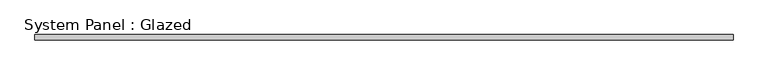
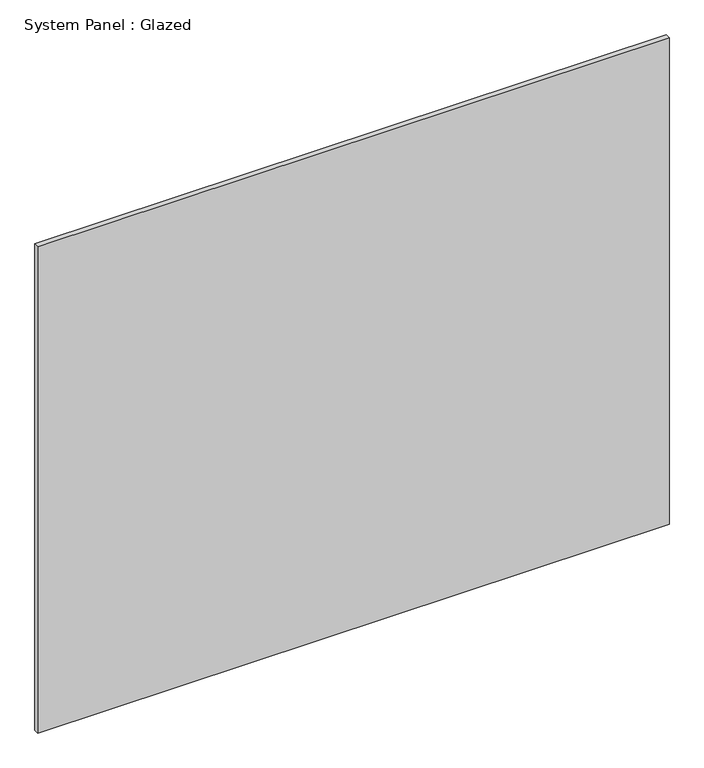
"""IFC4 building model written with IfcOpenShell, lengths in millimetres: plate geometry, System Panel : Glazed."""

import ifcopenshell
import ifcopenshell.guid

model = None  # the IFC model being written
_history = None  # IfcOwnerHistory: only IFC2X3 demands one
_inside = {}  # id of a spatial element -> (the spatial element, [elements in it])
_under = {}  # id of a project, library or spatial element -> (it, [spatial elements below it])
_declared = {}  # id of a project -> (the project, [libraries it declares])
_typed = {}  # id of a type object -> (the type object, [elements of that type])
_made_of = {}  # id of a material, layer set ... -> (it, [elements and type objects made of it])


def new_model(schema):
    """Start an empty IFC model of exactly this schema.

    Asked for "IFC4X3", IfcOpenShell would pick the latest addendum, in which some entities
    have other attributes; the version numbers below select the first issue.
    IFC2X3 requires an IfcOwnerHistory on every rooted entity: one is made here for all.
    """
    global model, _history
    if schema == "IFC4X3":
        model = ifcopenshell.file(schema_version=(4, 3, 0, 0))
    else:
        model = ifcopenshell.file(schema=schema)
    _inside.clear()
    _under.clear()
    _declared.clear()
    _typed.clear()
    _made_of.clear()
    _history = None
    if model.schema == "IFC2X3":
        org = make("IfcOrganization", Name="unknown")
        user = make(
            "IfcPersonAndOrganization",
            ThePerson=make("IfcPerson", FamilyName="unknown"),
            TheOrganization=org,
        )
        app = make(
            "IfcApplication",
            ApplicationDeveloper=org,
            Version="unknown",
            ApplicationFullName="unknown",
            ApplicationIdentifier="unknown",
        )
        _history = make(
            "IfcOwnerHistory",
            OwningUser=user,
            OwningApplication=app,
            ChangeAction="ADDED",
            CreationDate=0,
        )
    return model


def make(cls, **values):
    """One entity of the class cls with the attributes given. An attribute that is None is left unset."""
    return model.create_entity(
        cls, **{name: value for name, value in values.items() if value is not None}
    )


def rooted(cls, **values):
    """An entity with a GlobalId (a new one), such as an element, a storey or a relation."""
    return make(cls, GlobalId=ifcopenshell.guid.new(), OwnerHistory=_history, **values)


def si_unit(unit_type, name, prefix=None):
    """IfcSIUnit, for example si_unit("LENGTHUNIT", "METRE", prefix="MILLI")."""
    return make("IfcSIUnit", UnitType=unit_type, Prefix=prefix, Name=name)


def assignment(units):
    """IfcUnitAssignment: the units of a project."""
    return None if units is None else make("IfcUnitAssignment", Units=units)


def point(xyz):
    """IfcCartesianPoint."""
    return None if xyz is None else make("IfcCartesianPoint", Coordinates=xyz)


def direction(xyz):
    """IfcDirection."""
    return None if xyz is None else make("IfcDirection", DirectionRatios=xyz)


def frame(location, z_axis=None, x_axis=None):
    """IfcAxis2Placement3D, a coordinate frame: its origin and axes. An axis left out is left unset."""
    return make(
        "IfcAxis2Placement3D",
        Location=point(location),
        Axis=direction(z_axis),
        RefDirection=direction(x_axis),
    )


def origin():
    """The frame at (0, 0, 0) with its axes left unset."""
    return frame((0.0, 0.0, 0.0))


def origin_with_axes():
    """The frame at (0, 0, 0) with the z axis (0, 0, 1) and the x axis (1, 0, 0) written out."""
    return frame((0.0, 0.0, 0.0), z_axis=(0.0, 0.0, 1.0), x_axis=(1.0, 0.0, 0.0))


def place(relative_to, where):
    """IfcLocalPlacement: puts the frame where relative to a parent placement (None: the world)."""
    return make(
        "IfcLocalPlacement", PlacementRelTo=relative_to, RelativePlacement=where
    )


def context(
    kind, dimensions, precision=None, world=None, true_north=None, identifier=None
):
    """IfcGeometricRepresentationContext, for example the 3D "Model" context."""
    return make(
        "IfcGeometricRepresentationContext",
        ContextIdentifier=identifier,
        ContextType=kind,
        CoordinateSpaceDimension=dimensions,
        Precision=precision,
        WorldCoordinateSystem=world,
        TrueNorth=true_north,
    )


def project(units=None, contexts=None):
    """IfcProject with its units and contexts."""
    return rooted(
        "IfcProject",
        Name="project",
        RepresentationContexts=contexts,
        UnitsInContext=assignment(units),
    )


def spatial(cls, under=None, at=None, **own):
    """A site, building, storey or space (cls), placed at a placement, below another one or the project."""
    s = rooted(cls, ObjectPlacement=at, **own)
    if under is not None:
        _under.setdefault(under.id(), (under, []))[1].append(s)
    return s


def polyline(points):
    """IfcPolyline through the points."""
    return make("IfcPolyline", Points=[point(p) for p in points])


def outline(outer, holes=None, kind="AREA"):
    """IfcArbitraryClosedProfileDef: a profile drawn as a closed curve; with holes, ...WithVoids."""
    if holes is None:
        return make("IfcArbitraryClosedProfileDef", ProfileType=kind, OuterCurve=outer)
    return make(
        "IfcArbitraryProfileDefWithVoids",
        ProfileType=kind,
        OuterCurve=outer,
        InnerCurves=holes,
    )


def extrude(swept, where, along, depth):
    """IfcExtrudedAreaSolid: the profile swept, set in the frame where, extruded along a direction by depth."""
    return make(
        "IfcExtrudedAreaSolid",
        SweptArea=swept,
        Position=where,
        ExtrudedDirection=direction(along),
        Depth=depth,
    )


def shape(context_of_items, identifier, shape_type, items):
    """IfcShapeRepresentation: the items that make up one representation, for example the "Body"."""
    return make(
        "IfcShapeRepresentation",
        ContextOfItems=context_of_items,
        RepresentationIdentifier=identifier,
        RepresentationType=shape_type,
        Items=items,
    )


def source(mapping_origin, context_of_items, identifier, shape_type, items):
    """IfcRepresentationMap: a shape defined once, which mapped items show again and again."""
    return make(
        "IfcRepresentationMap",
        MappingOrigin=mapping_origin,
        MappedRepresentation=shape(context_of_items, identifier, shape_type, items),
    )


def transform(
    local_origin,
    x_axis=None,
    y_axis=None,
    z_axis=None,
    scale=None,
    scale2=None,
    scale3=None,
    uniform=True,
):
    """IfcCartesianTransformationOperator3D, or its non-uniform kind. x_axis, y_axis, z_axis: its Axis1, 2, 3."""
    if uniform:
        return make(
            "IfcCartesianTransformationOperator3D",
            Axis1=direction(x_axis),
            Axis2=direction(y_axis),
            LocalOrigin=point(local_origin),
            Scale=scale,
            Axis3=direction(z_axis),
        )
    return make(
        "IfcCartesianTransformationOperator3DnonUniform",
        Axis1=direction(x_axis),
        Axis2=direction(y_axis),
        LocalOrigin=point(local_origin),
        Scale=scale,
        Axis3=direction(z_axis),
        Scale2=scale2,
        Scale3=scale3,
    )


def mapped(mapping_source, mapping_target):
    """IfcMappedItem: shows the shape of a source again, moved by a transform."""
    return make(
        "IfcMappedItem", MappingSource=mapping_source, MappingTarget=mapping_target
    )


def made_of(thing, what):
    """Note that an element or type object is made of a material, layer set ...; save() writes the relation."""
    if what is not None:
        _made_of.setdefault(what.id(), (what, []))[1].append(thing)
    return thing


def element(
    cls,
    number,
    at=None,
    inside=None,
    cuts=None,
    type_object=None,
    material=None,
    context=None,
    identifier="Body",
    shape_type=None,
    held_by="IfcProductDefinitionShape",
    body=None,
    shapes=None,
    **own,
):
    """One element of the class cls, such as IfcWall. Its Tag is "e" and its number.

    at: its placement. inside: the storey or other place that contains it. cuts: it is an
    opening in that element (IfcRelVoidsElement). A single representation is given by context,
    identifier, shape_type and body (its items); several are given by shapes. held_by: the class
    of the entity that holds the representations. save() writes the other relations.
    """
    e = rooted(cls, Tag="e%d" % number, ObjectPlacement=at, **own)
    if body is not None:
        shapes = [shape(context, identifier, shape_type, body)]
    if shapes is not None:
        e.Representation = make(held_by, Representations=shapes)
    if inside is not None:
        _inside.setdefault(inside.id(), (inside, []))[1].append(e)
    if cuts is not None:
        rooted(
            "IfcRelVoidsElement", RelatingBuildingElement=cuts, RelatedOpeningElement=e
        )
    if type_object is not None:
        _typed.setdefault(type_object.id(), (type_object, []))[1].append(e)
    return made_of(e, material)


def aggregate(whole, parts):
    """IfcRelAggregates: a whole, such as a stair, and the parts it consists of."""
    return rooted("IfcRelAggregates", RelatingObject=whole, RelatedObjects=parts)


def save(model, path):
    """Write the relations noted so far, then the file.

    IfcRelAggregates (storeys below a building ...), IfcRelContainedInSpatialStructure (elements
    in a storey), IfcRelDefinesByType, IfcRelAssociatesMaterial and IfcRelDeclares: one each for
    every whole, place, type object, material and project.
    """
    for whole, parts in _under.values():
        aggregate(whole, parts)
    for where, things in _inside.values():
        rooted(
            "IfcRelContainedInSpatialStructure",
            RelatedElements=things,
            RelatingStructure=where,
        )
    for kind, things in _typed.values():
        rooted("IfcRelDefinesByType", RelatedObjects=things, RelatingType=kind)
    for what, things in _made_of.values():
        rooted("IfcRelAssociatesMaterial", RelatedObjects=things, RelatingMaterial=what)
    for by, libraries in _declared.values():
        rooted("IfcRelDeclares", RelatingContext=by, RelatedDefinitions=libraries)
    model.write(path)


def system_panel_glazed_94edfd57(model_context):
    return source(origin(), model_context, "Body", "SweptSolid", [
        extrude(outline(polyline([(1657.518424, 24.5), (-1657.518424, 24.5), (-1657.518424, 49.5), (1657.518424, 49.5), (1657.518424, 24.5)])), origin_with_axes(), (0.0, 0.0, 1.0), 2700.0),
    ])


if __name__ == "__main__":
    model = new_model("IFC4")
    model_context = context("Model", 3, world=origin())
    ifc_project = project(units=[si_unit("LENGTHUNIT", "METRE", prefix="MILLI")], contexts=[model_context])
    site = spatial("IfcSite", under=ifc_project)
    building = spatial("IfcBuilding", under=site)
    placement = place(None, origin())
    system_panel_glazed_shape = system_panel_glazed_94edfd57(model_context)
    element("IfcPlate", 1, ObjectType="System Panel : Glazed", at=placement, inside=building, context=model_context, shape_type="MappedRepresentation", body=[
        mapped(system_panel_glazed_shape, transform((0.0, 0.0, 0.0), x_axis=(1.0, 0.0, 0.0), y_axis=(0.0, 1.0, 0.0), z_axis=(0.0, 0.0, 1.0))),
    ])
    save(model, "model.ifc")
